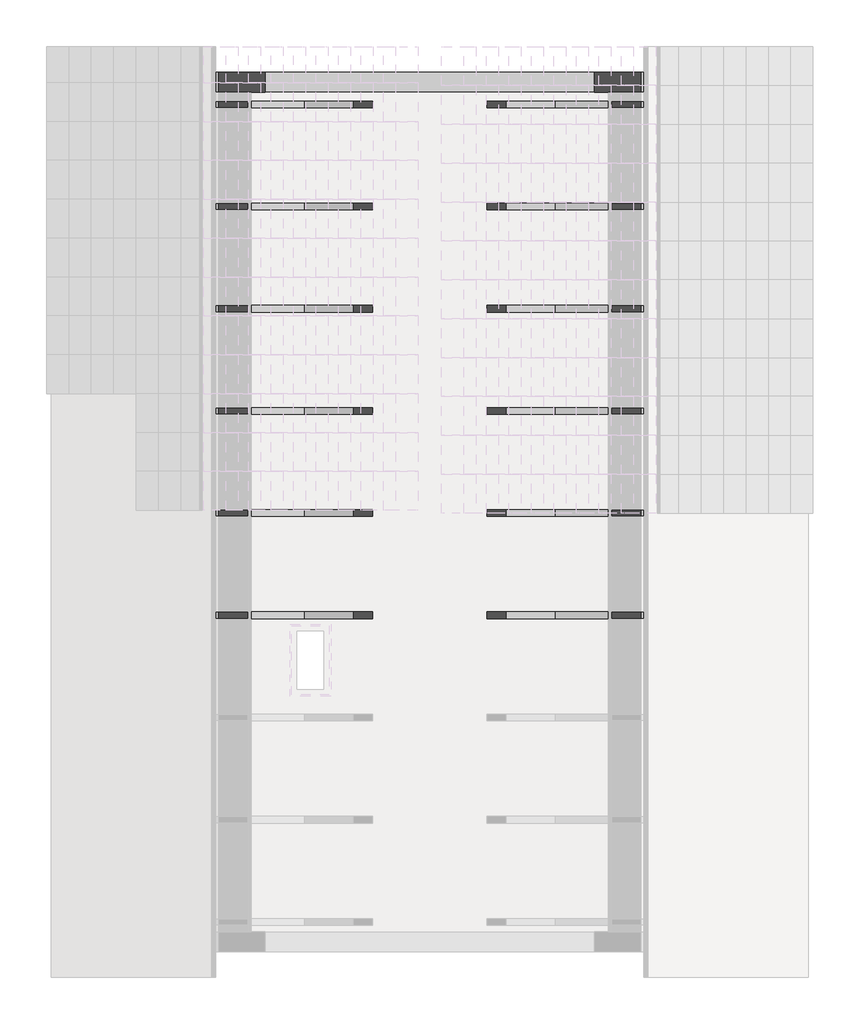
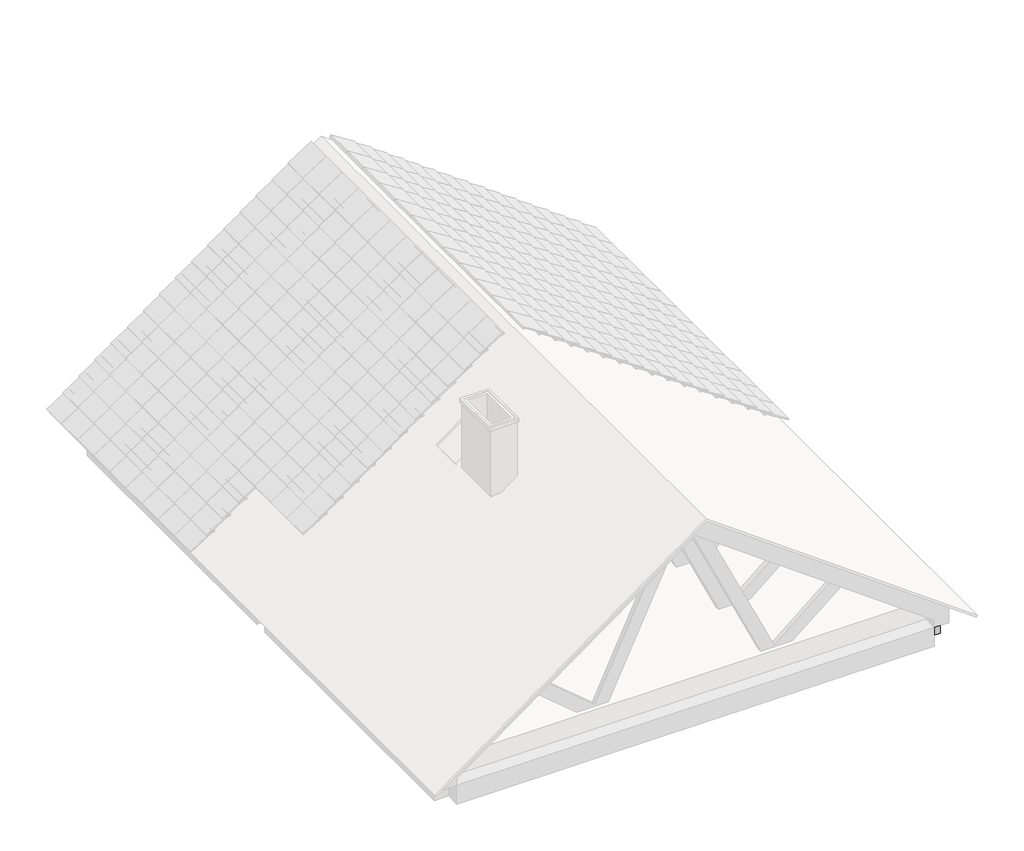
# One storey, part 9 of 9: 10 beams.
"""IFC4 building model written with IfcOpenShell, lengths in millimetres."""

from ifc_helpers import new_model, si_unit, frame, origin, place, context, project, spatial, polyline, outline, extrude, faceted_brep, element, save

model = new_model("IFC4")

# Units and contexts
model_context = context("Model", 3, world=origin())
ifc_project = project(units=[si_unit("LENGTHUNIT", "METRE", prefix="MILLI")], contexts=[model_context])

# Site, building, storey
site = spatial("IfcSite", under=ifc_project)
building = spatial("IfcBuilding", under=site)
storey = spatial("IfcBuildingStorey", under=building, Elevation=5669.9999999)

# Beams
placement = place(None, origin())
element("IfcBeam", 1, at=placement, inside=storey, context=model_context, shape_type="SweptSolid", body=[
    extrude(outline(polyline([(5766.7606605, -3657.9272493), (7946.3882445, -657.9272493), (5766.7606605, 2342.0727507), (5669.9999999, 2342.0727507), (5669.9999999, 2522.0727507), (5944.9999999, 2522.0727507), (8255.4052389, -657.9272493), (5944.9999999, -3837.9272493), (5669.9999999, -3837.9272493), (5669.9999999, -3657.9272493), (5766.7606605, -3657.9272493)])), frame((0.0, 3670.2847631, 0.0), z_axis=(0.0, 1.0, 0.0), x_axis=(0.0, 0.0, 1.0)), (0.0, 0.0, 1.0), 180.0),
])
element("IfcBeam", 2, at=placement, inside=storey, context=model_context, shape_type="SolidModel", body=[
    faceted_brep([(-3837.9272493, -1069.715237, 5729.9999999), (-3817.9272493, -1069.715237, 5729.9999999), (-3677.9272493, -1069.715237, 5729.9999999), (-3662.9272493, -1069.715237, 5729.9999999), (-3657.9272493, -1069.715237, 5729.9999999), (-507.9197273, -1069.715237, 5729.9999999), (-382.9197273, -1069.715237, 5729.9999999), (2342.0727507, -1069.715237, 5729.9999999), (2347.0727507, -1069.715237, 5729.9999999), (2362.0727507, -1069.715237, 5729.9999999), (2502.0727507, -1069.715237, 5729.9999999), (2522.0727507, -1069.715237, 5729.9999999), (2522.0727507, -1069.715237, 5889.9999999), (2325.5654977, -1069.715237, 5889.9999999), (2300.0459734, -1069.715237, 5889.9999999), (661.8736823, -1069.715237, 5889.9999999), (316.2164222, -1069.715237, 5889.9999999), (-1632.0709208, -1069.715237, 5889.9999999), (-1977.7281809, -1069.715237, 5889.9999999), (-3615.900472, -1069.715237, 5889.9999999), (-3641.4199962, -1069.715237, 5889.9999999), (-3837.9272493, -1069.715237, 5889.9999999), (-3837.9272493, -1009.715237, 5729.9999999), (-3837.9272493, -1009.715237, 5889.9999999), (-3641.4199962, -1009.715237, 5889.9999999), (-3615.900472, -1009.715237, 5889.9999999), (-1977.7281809, -1009.715237, 5889.9999999), (-1632.0709208, -1009.715237, 5889.9999999), (316.2164222, -1009.715237, 5889.9999999), (661.8736823, -1009.715237, 5889.9999999), (2300.0459734, -1009.715237, 5889.9999999), (2325.5654977, -1009.715237, 5889.9999999), (2522.0727507, -1009.715237, 5889.9999999), (2522.0727507, -1009.715237, 5729.9999999), (2502.0727507, -1009.715237, 5729.9999999), (2362.0727507, -1009.715237, 5729.9999999), (2347.0727507, -1009.715237, 5729.9999999), (2342.0727507, -1009.715237, 5729.9999999), (-382.9197273, -1009.715237, 5729.9999999), (-507.9197273, -1009.715237, 5729.9999999), (-3657.9272493, -1009.715237, 5729.9999999), (-3662.9272493, -1009.715237, 5729.9999999), (-3677.9272493, -1009.715237, 5729.9999999), (-3817.9272493, -1009.715237, 5729.9999999)], [[[0, 1, 2, 3, 4, 5, 6, 7, 8, 9, 10, 11, 12, 13, 14, 15, 16, 17, 18, 19, 20, 21]], [[22, 23, 24, 25, 26, 27, 28, 29, 30, 31, 32, 33, 34, 35, 36, 37, 38, 39, 40, 41, 42, 43]], [[11, 10, 9, 8, 7, 6, 5, 4, 3, 2, 1, 0, 22, 43, 42, 41, 40, 39, 38, 37, 36, 35, 34, 33]], [[12, 11, 33, 32]], [[21, 20, 19, 18, 17, 16, 15, 14, 13, 12, 32, 31, 30, 29, 28, 27, 26, 25, 24, 23]], [[0, 21, 23, 22]]]),
    extrude(outline(polyline([(8255.4052389, -657.9272493), (8057.6343625, -657.9272493), (5889.9999999, 2325.5654977), (5889.9999999, 2522.0727507), (5944.9999999, 2522.0727507), (8255.4052389, -657.9272493)])), frame((0.0, -1069.715237, 0.0), z_axis=(0.0, 1.0, 0.0), x_axis=(0.0, 0.0, 1.0)), (0.0, 0.0, 1.0), 60.0),
    faceted_brep([(1433.9232753, -1069.715237, 6537.8159942), (1300.5175785, -1069.715237, 6634.7409064), (1288.6750376, -1069.715237, 6624.8039963), (470.3489062, -1069.715237, 5938.1580072), (-440.4591019, -1069.715237, 7881.0934853), (-453.6400094, -1069.715237, 7909.2109948), (-657.9272493, -1069.715237, 8057.6343625), (-657.9272493, -1069.715237, 7968.0431035), (302.153042, -1069.715237, 5919.9999999), (316.2164222, -1069.715237, 5889.9999999), (661.8736823, -1069.715237, 5889.9999999), (697.6268714, -1069.715237, 5919.9999999), (1422.0807344, -1069.715237, 6527.8790841), (-453.6400094, -1009.715237, 7909.2109948), (-657.9272493, -1009.715237, 8057.6343625), (-657.9272493, -1009.715237, 7968.0431035), (1433.9232753, -1009.715237, 6537.8159942), (1422.0807344, -1009.715237, 6527.8790841), (697.6268714, -1009.715237, 5919.9999999), (661.8736823, -1009.715237, 5889.9999999), (316.2164222, -1009.715237, 5889.9999999), (302.153042, -1009.715237, 5919.9999999), (-440.4591019, -1009.715237, 7881.0934853), (470.3489062, -1009.715237, 5938.1580072), (1288.6750376, -1009.715237, 6624.8039963), (1300.5175785, -1009.715237, 6634.7409064)], [[[0, 1, 2, 3, 4, 5, 6, 7, 8, 9, 10, 11, 12]], [[6, 5, 13, 14]], [[7, 6, 14, 15]], [[16, 17, 18, 19, 20, 21, 15, 14, 13, 22, 23, 24, 25]], [[0, 12, 11, 10, 19, 18, 17, 16]], [[10, 9, 20, 19]], [[9, 8, 7, 15, 21, 20]], [[5, 4, 3, 23, 22, 13]], [[3, 2, 1, 25, 24, 23]], [[1, 0, 16, 25]]]),
    faceted_brep([(-2749.7777739, -1069.715237, 6537.8159942), (-2737.935233, -1069.715237, 6527.8790841), (-2013.48137, -1069.715237, 5919.9999999), (-1977.7281809, -1069.715237, 5889.9999999), (-1632.0709208, -1069.715237, 5889.9999999), (-1618.0075406, -1069.715237, 5919.9999999), (-657.9272493, -1069.715237, 7968.0431035), (-657.9272493, -1069.715237, 8057.6343625), (-862.2144892, -1069.715237, 7909.2109948), (-875.3953967, -1069.715237, 7881.0934853), (-1786.2034048, -1069.715237, 5938.1580072), (-2604.5295362, -1069.715237, 6624.8039963), (-2616.372077, -1069.715237, 6634.7409064), (-657.9272493, -1009.715237, 7968.0431035), (-657.9272493, -1009.715237, 8057.6343625), (-862.2144892, -1009.715237, 7909.2109948), (-2749.7777739, -1009.715237, 6537.8159942), (-2616.372077, -1009.715237, 6634.7409064), (-2604.5295362, -1009.715237, 6624.8039963), (-1786.2034048, -1009.715237, 5938.1580072), (-875.3953967, -1009.715237, 7881.0934853), (-1618.0075406, -1009.715237, 5919.9999999), (-1632.0709208, -1009.715237, 5889.9999999), (-1977.7281809, -1009.715237, 5889.9999999), (-2013.48137, -1009.715237, 5919.9999999), (-2737.935233, -1009.715237, 6527.8790841)], [[[0, 1, 2, 3, 4, 5, 6, 7, 8, 9, 10, 11, 12]], [[7, 6, 13, 14]], [[8, 7, 14, 15]], [[16, 17, 18, 19, 20, 15, 14, 13, 21, 22, 23, 24, 25]], [[3, 2, 1, 0, 16, 25, 24, 23]], [[4, 3, 23, 22]], [[6, 5, 4, 22, 21, 13]], [[10, 9, 8, 15, 20, 19]], [[12, 11, 10, 19, 18, 17]], [[0, 12, 17, 16]]]),
    extrude(outline(polyline([(8255.4052389, -657.9272493), (5944.9999999, -3837.9272493), (5889.9999999, -3837.9272493), (5889.9999999, -3641.4199962), (8057.6343625, -657.9272493), (8255.4052389, -657.9272493)])), frame((0.0, -1069.715237, 0.0), z_axis=(0.0, 1.0, 0.0), x_axis=(0.0, 0.0, 1.0)), (0.0, 0.0, 1.0), 60.0),
])
element("IfcBeam", 3, at=placement, inside=storey, context=model_context, shape_type="SolidModel", body=[
    faceted_brep([(-3837.9272493, -149.715237, 5729.9999999), (-3817.9272493, -149.715237, 5729.9999999), (-3677.9272493, -149.715237, 5729.9999999), (-3662.9272493, -149.715237, 5729.9999999), (-3657.9272493, -149.715237, 5729.9999999), (-507.9197273, -149.715237, 5729.9999999), (-382.9197273, -149.715237, 5729.9999999), (2342.0727507, -149.715237, 5729.9999999), (2347.0727507, -149.715237, 5729.9999999), (2362.0727507, -149.715237, 5729.9999999), (2502.0727507, -149.715237, 5729.9999999), (2522.0727507, -149.715237, 5729.9999999), (2522.0727507, -149.715237, 5889.9999999), (2325.5654977, -149.715237, 5889.9999999), (2300.0459734, -149.715237, 5889.9999999), (661.8736823, -149.715237, 5889.9999999), (316.2164222, -149.715237, 5889.9999999), (-1632.0709208, -149.715237, 5889.9999999), (-1977.7281809, -149.715237, 5889.9999999), (-3615.900472, -149.715237, 5889.9999999), (-3641.4199962, -149.715237, 5889.9999999), (-3837.9272493, -149.715237, 5889.9999999), (-3837.9272493, -89.715237, 5729.9999999), (-3837.9272493, -89.715237, 5889.9999999), (-3641.4199962, -89.715237, 5889.9999999), (-3615.900472, -89.715237, 5889.9999999), (-1977.7281809, -89.715237, 5889.9999999), (-1632.0709208, -89.715237, 5889.9999999), (316.2164222, -89.715237, 5889.9999999), (661.8736823, -89.715237, 5889.9999999), (2300.0459734, -89.715237, 5889.9999999), (2325.5654977, -89.715237, 5889.9999999), (2522.0727507, -89.715237, 5889.9999999), (2522.0727507, -89.715237, 5729.9999999), (2502.0727507, -89.715237, 5729.9999999), (2362.0727507, -89.715237, 5729.9999999), (2347.0727507, -89.715237, 5729.9999999), (2342.0727507, -89.715237, 5729.9999999), (-382.9197273, -89.715237, 5729.9999999), (-507.9197273, -89.715237, 5729.9999999), (-3657.9272493, -89.715237, 5729.9999999), (-3662.9272493, -89.715237, 5729.9999999), (-3677.9272493, -89.715237, 5729.9999999), (-3817.9272493, -89.715237, 5729.9999999)], [[[0, 1, 2, 3, 4, 5, 6, 7, 8, 9, 10, 11, 12, 13, 14, 15, 16, 17, 18, 19, 20, 21]], [[22, 23, 24, 25, 26, 27, 28, 29, 30, 31, 32, 33, 34, 35, 36, 37, 38, 39, 40, 41, 42, 43]], [[11, 10, 9, 8, 7, 6, 5, 4, 3, 2, 1, 0, 22, 43, 42, 41, 40, 39, 38, 37, 36, 35, 34, 33]], [[12, 11, 33, 32]], [[21, 20, 19, 18, 17, 16, 15, 14, 13, 12, 32, 31, 30, 29, 28, 27, 26, 25, 24, 23]], [[0, 21, 23, 22]]]),
    extrude(outline(polyline([(8255.4052389, -657.9272493), (8057.6343625, -657.9272493), (5889.9999999, 2325.5654977), (5889.9999999, 2522.0727507), (5944.9999999, 2522.0727507), (8255.4052389, -657.9272493)])), frame((0.0, -149.715237, 0.0), z_axis=(0.0, 1.0, 0.0), x_axis=(0.0, 0.0, 1.0)), (0.0, 0.0, 1.0), 60.0),
    faceted_brep([(1433.9232753, -149.715237, 6537.8159942), (1300.5175785, -149.715237, 6634.7409064), (1288.6750376, -149.715237, 6624.8039963), (470.3489062, -149.715237, 5938.1580072), (-440.4591019, -149.715237, 7881.0934853), (-453.6400094, -149.715237, 7909.2109948), (-657.9272493, -149.715237, 8057.6343625), (-657.9272493, -149.715237, 7968.0431035), (302.153042, -149.715237, 5919.9999999), (316.2164222, -149.715237, 5889.9999999), (661.8736823, -149.715237, 5889.9999999), (697.6268714, -149.715237, 5919.9999999), (1422.0807344, -149.715237, 6527.8790841), (-453.6400094, -89.715237, 7909.2109948), (-657.9272493, -89.715237, 8057.6343625), (-657.9272493, -89.715237, 7968.0431035), (1433.9232753, -89.715237, 6537.8159942), (1422.0807344, -89.715237, 6527.8790841), (697.6268714, -89.715237, 5919.9999999), (661.8736823, -89.715237, 5889.9999999), (316.2164222, -89.715237, 5889.9999999), (302.153042, -89.715237, 5919.9999999), (-440.4591019, -89.715237, 7881.0934853), (470.3489062, -89.715237, 5938.1580072), (1288.6750376, -89.715237, 6624.8039963), (1300.5175785, -89.715237, 6634.7409064)], [[[0, 1, 2, 3, 4, 5, 6, 7, 8, 9, 10, 11, 12]], [[6, 5, 13, 14]], [[7, 6, 14, 15]], [[16, 17, 18, 19, 20, 21, 15, 14, 13, 22, 23, 24, 25]], [[0, 12, 11, 10, 19, 18, 17, 16]], [[10, 9, 20, 19]], [[9, 8, 7, 15, 21, 20]], [[5, 4, 3, 23, 22, 13]], [[3, 2, 1, 25, 24, 23]], [[1, 0, 16, 25]]]),
    faceted_brep([(-2749.7777739, -149.715237, 6537.8159942), (-2737.935233, -149.715237, 6527.8790841), (-2013.48137, -149.715237, 5919.9999999), (-1977.7281809, -149.715237, 5889.9999999), (-1632.0709208, -149.715237, 5889.9999999), (-1618.0075406, -149.715237, 5919.9999999), (-657.9272493, -149.715237, 7968.0431035), (-657.9272493, -149.715237, 8057.6343625), (-862.2144892, -149.715237, 7909.2109948), (-875.3953967, -149.715237, 7881.0934853), (-1786.2034048, -149.715237, 5938.1580072), (-2604.5295362, -149.715237, 6624.8039963), (-2616.372077, -149.715237, 6634.7409064), (-657.9272493, -89.715237, 7968.0431035), (-657.9272493, -89.715237, 8057.6343625), (-862.2144892, -89.715237, 7909.2109948), (-2749.7777739, -89.715237, 6537.8159942), (-2616.372077, -89.715237, 6634.7409064), (-2604.5295362, -89.715237, 6624.8039963), (-1786.2034048, -89.715237, 5938.1580072), (-875.3953967, -89.715237, 7881.0934853), (-1618.0075406, -89.715237, 5919.9999999), (-1632.0709208, -89.715237, 5889.9999999), (-1977.7281809, -89.715237, 5889.9999999), (-2013.48137, -89.715237, 5919.9999999), (-2737.935233, -89.715237, 6527.8790841)], [[[0, 1, 2, 3, 4, 5, 6, 7, 8, 9, 10, 11, 12]], [[7, 6, 13, 14]], [[8, 7, 14, 15]], [[16, 17, 18, 19, 20, 15, 14, 13, 21, 22, 23, 24, 25]], [[3, 2, 1, 0, 16, 25, 24, 23]], [[4, 3, 23, 22]], [[6, 5, 4, 22, 21, 13]], [[10, 9, 8, 15, 20, 19]], [[12, 11, 10, 19, 18, 17]], [[0, 12, 17, 16]]]),
    extrude(outline(polyline([(8255.4052389, -657.9272493), (5944.9999999, -3837.9272493), (5889.9999999, -3837.9272493), (5889.9999999, -3641.4199962), (8057.6343625, -657.9272493), (8255.4052389, -657.9272493)])), frame((0.0, -149.715237, 0.0), z_axis=(0.0, 1.0, 0.0), x_axis=(0.0, 0.0, 1.0)), (0.0, 0.0, 1.0), 60.0),
])
element("IfcBeam", 4, at=placement, inside=storey, context=model_context, shape_type="SolidModel", body=[
    faceted_brep([(-3837.9272493, 770.284763, 5729.9999999), (-3817.9272493, 770.284763, 5729.9999999), (-3677.9272493, 770.284763, 5729.9999999), (-3662.9272493, 770.284763, 5729.9999999), (-3657.9272493, 770.284763, 5729.9999999), (-507.9197273, 770.284763, 5729.9999999), (-382.9197273, 770.284763, 5729.9999999), (2342.0727507, 770.284763, 5729.9999999), (2347.0727507, 770.284763, 5729.9999999), (2362.0727507, 770.284763, 5729.9999999), (2502.0727507, 770.284763, 5729.9999999), (2522.0727507, 770.284763, 5729.9999999), (2522.0727507, 770.284763, 5889.9999999), (2325.5654977, 770.284763, 5889.9999999), (2300.0459734, 770.284763, 5889.9999999), (661.8736823, 770.284763, 5889.9999999), (316.2164222, 770.284763, 5889.9999999), (-1632.0709208, 770.284763, 5889.9999999), (-1977.7281809, 770.284763, 5889.9999999), (-3615.900472, 770.284763, 5889.9999999), (-3641.4199962, 770.284763, 5889.9999999), (-3837.9272493, 770.284763, 5889.9999999), (-3837.9272493, 830.284763, 5729.9999999), (-3837.9272493, 830.284763, 5889.9999999), (-3641.4199962, 830.284763, 5889.9999999), (-3615.900472, 830.284763, 5889.9999999), (-1977.7281809, 830.284763, 5889.9999999), (-1632.0709208, 830.284763, 5889.9999999), (316.2164222, 830.284763, 5889.9999999), (661.8736823, 830.284763, 5889.9999999), (2300.0459734, 830.284763, 5889.9999999), (2325.5654977, 830.284763, 5889.9999999), (2522.0727507, 830.284763, 5889.9999999), (2522.0727507, 830.284763, 5729.9999999), (2502.0727507, 830.284763, 5729.9999999), (2362.0727507, 830.284763, 5729.9999999), (2347.0727507, 830.284763, 5729.9999999), (2342.0727507, 830.284763, 5729.9999999), (-382.9197273, 830.284763, 5729.9999999), (-507.9197273, 830.284763, 5729.9999999), (-3657.9272493, 830.284763, 5729.9999999), (-3662.9272493, 830.284763, 5729.9999999), (-3677.9272493, 830.284763, 5729.9999999), (-3817.9272493, 830.284763, 5729.9999999)], [[[0, 1, 2, 3, 4, 5, 6, 7, 8, 9, 10, 11, 12, 13, 14, 15, 16, 17, 18, 19, 20, 21]], [[22, 23, 24, 25, 26, 27, 28, 29, 30, 31, 32, 33, 34, 35, 36, 37, 38, 39, 40, 41, 42, 43]], [[11, 10, 9, 8, 7, 6, 5, 4, 3, 2, 1, 0, 22, 43, 42, 41, 40, 39, 38, 37, 36, 35, 34, 33]], [[12, 11, 33, 32]], [[21, 20, 19, 18, 17, 16, 15, 14, 13, 12, 32, 31, 30, 29, 28, 27, 26, 25, 24, 23]], [[0, 21, 23, 22]]]),
    extrude(outline(polyline([(8255.4052389, -657.9272493), (8057.6343625, -657.9272493), (5889.9999999, 2325.5654977), (5889.9999999, 2522.0727507), (5944.9999999, 2522.0727507), (8255.4052389, -657.9272493)])), frame((0.0, 770.284763, 0.0), z_axis=(0.0, 1.0, 0.0), x_axis=(0.0, 0.0, 1.0)), (0.0, 0.0, 1.0), 60.0),
    faceted_brep([(1433.9232753, 770.284763, 6537.8159942), (1300.5175785, 770.284763, 6634.7409064), (1288.6750376, 770.284763, 6624.8039963), (470.3489062, 770.284763, 5938.1580072), (-440.4591019, 770.284763, 7881.0934853), (-453.6400094, 770.284763, 7909.2109948), (-657.9272493, 770.284763, 8057.6343625), (-657.9272493, 770.284763, 7968.0431035), (302.153042, 770.284763, 5919.9999999), (316.2164222, 770.284763, 5889.9999999), (661.8736823, 770.284763, 5889.9999999), (697.6268714, 770.284763, 5919.9999999), (1422.0807344, 770.284763, 6527.8790841), (-453.6400094, 830.284763, 7909.2109948), (-657.9272493, 830.284763, 8057.6343625), (-657.9272493, 830.284763, 7968.0431035), (1433.9232753, 830.284763, 6537.8159942), (1422.0807344, 830.284763, 6527.8790841), (697.6268714, 830.284763, 5919.9999999), (661.8736823, 830.284763, 5889.9999999), (316.2164222, 830.284763, 5889.9999999), (302.153042, 830.284763, 5919.9999999), (-440.4591019, 830.284763, 7881.0934853), (470.3489062, 830.284763, 5938.1580072), (1288.6750376, 830.284763, 6624.8039963), (1300.5175785, 830.284763, 6634.7409064)], [[[0, 1, 2, 3, 4, 5, 6, 7, 8, 9, 10, 11, 12]], [[6, 5, 13, 14]], [[7, 6, 14, 15]], [[16, 17, 18, 19, 20, 21, 15, 14, 13, 22, 23, 24, 25]], [[0, 12, 11, 10, 19, 18, 17, 16]], [[10, 9, 20, 19]], [[9, 8, 7, 15, 21, 20]], [[5, 4, 3, 23, 22, 13]], [[3, 2, 1, 25, 24, 23]], [[1, 0, 16, 25]]]),
    faceted_brep([(-2749.7777739, 770.284763, 6537.8159942), (-2737.935233, 770.284763, 6527.8790841), (-2013.48137, 770.284763, 5919.9999999), (-1977.7281809, 770.284763, 5889.9999999), (-1632.0709208, 770.284763, 5889.9999999), (-1618.0075406, 770.284763, 5919.9999999), (-657.9272493, 770.284763, 7968.0431035), (-657.9272493, 770.284763, 8057.6343625), (-862.2144892, 770.284763, 7909.2109948), (-875.3953967, 770.284763, 7881.0934853), (-1786.2034048, 770.284763, 5938.1580072), (-2604.5295362, 770.284763, 6624.8039963), (-2616.372077, 770.284763, 6634.7409064), (-657.9272493, 830.284763, 7968.0431035), (-657.9272493, 830.284763, 8057.6343625), (-862.2144892, 830.284763, 7909.2109948), (-2749.7777739, 830.284763, 6537.8159942), (-2616.372077, 830.284763, 6634.7409064), (-2604.5295362, 830.284763, 6624.8039963), (-1786.2034048, 830.284763, 5938.1580072), (-875.3953967, 830.284763, 7881.0934853), (-1618.0075406, 830.284763, 5919.9999999), (-1632.0709208, 830.284763, 5889.9999999), (-1977.7281809, 830.284763, 5889.9999999), (-2013.48137, 830.284763, 5919.9999999), (-2737.935233, 830.284763, 6527.8790841)], [[[0, 1, 2, 3, 4, 5, 6, 7, 8, 9, 10, 11, 12]], [[7, 6, 13, 14]], [[8, 7, 14, 15]], [[16, 17, 18, 19, 20, 15, 14, 13, 21, 22, 23, 24, 25]], [[3, 2, 1, 0, 16, 25, 24, 23]], [[4, 3, 23, 22]], [[6, 5, 4, 22, 21, 13]], [[10, 9, 8, 15, 20, 19]], [[12, 11, 10, 19, 18, 17]], [[0, 12, 17, 16]]]),
    extrude(outline(polyline([(8255.4052389, -657.9272493), (5944.9999999, -3837.9272493), (5889.9999999, -3837.9272493), (5889.9999999, -3641.4199962), (8057.6343625, -657.9272493), (8255.4052389, -657.9272493)])), frame((0.0, 770.284763, 0.0), z_axis=(0.0, 1.0, 0.0), x_axis=(0.0, 0.0, 1.0)), (0.0, 0.0, 1.0), 60.0),
])
element("IfcBeam", 5, at=placement, inside=storey, context=model_context, shape_type="SolidModel", body=[
    faceted_brep([(-3837.9272493, 1690.284763, 5729.9999999), (-3817.9272493, 1690.284763, 5729.9999999), (-3677.9272493, 1690.284763, 5729.9999999), (-3662.9272493, 1690.284763, 5729.9999999), (-3657.9272493, 1690.284763, 5729.9999999), (-507.9197273, 1690.284763, 5729.9999999), (-382.9197273, 1690.284763, 5729.9999999), (2342.0727507, 1690.284763, 5729.9999999), (2347.0727507, 1690.284763, 5729.9999999), (2362.0727507, 1690.284763, 5729.9999999), (2502.0727507, 1690.284763, 5729.9999999), (2522.0727507, 1690.284763, 5729.9999999), (2522.0727507, 1690.284763, 5889.9999999), (2325.5654977, 1690.284763, 5889.9999999), (2300.0459734, 1690.284763, 5889.9999999), (661.8736823, 1690.284763, 5889.9999999), (316.2164222, 1690.284763, 5889.9999999), (-1632.0709208, 1690.284763, 5889.9999999), (-1977.7281809, 1690.284763, 5889.9999999), (-3615.900472, 1690.284763, 5889.9999999), (-3641.4199962, 1690.284763, 5889.9999999), (-3837.9272493, 1690.284763, 5889.9999999), (-3837.9272493, 1750.284763, 5729.9999999), (-3837.9272493, 1750.284763, 5889.9999999), (-3641.4199962, 1750.284763, 5889.9999999), (-3615.900472, 1750.284763, 5889.9999999), (-1977.7281809, 1750.284763, 5889.9999999), (-1632.0709208, 1750.284763, 5889.9999999), (316.2164222, 1750.284763, 5889.9999999), (661.8736823, 1750.284763, 5889.9999999), (2300.0459734, 1750.284763, 5889.9999999), (2325.5654977, 1750.284763, 5889.9999999), (2522.0727507, 1750.284763, 5889.9999999), (2522.0727507, 1750.284763, 5729.9999999), (2502.0727507, 1750.284763, 5729.9999999), (2362.0727507, 1750.284763, 5729.9999999), (2347.0727507, 1750.284763, 5729.9999999), (2342.0727507, 1750.284763, 5729.9999999), (-382.9197273, 1750.284763, 5729.9999999), (-507.9197273, 1750.284763, 5729.9999999), (-3657.9272493, 1750.284763, 5729.9999999), (-3662.9272493, 1750.284763, 5729.9999999), (-3677.9272493, 1750.284763, 5729.9999999), (-3817.9272493, 1750.284763, 5729.9999999)], [[[0, 1, 2, 3, 4, 5, 6, 7, 8, 9, 10, 11, 12, 13, 14, 15, 16, 17, 18, 19, 20, 21]], [[22, 23, 24, 25, 26, 27, 28, 29, 30, 31, 32, 33, 34, 35, 36, 37, 38, 39, 40, 41, 42, 43]], [[11, 10, 9, 8, 7, 6, 5, 4, 3, 2, 1, 0, 22, 43, 42, 41, 40, 39, 38, 37, 36, 35, 34, 33]], [[12, 11, 33, 32]], [[21, 20, 19, 18, 17, 16, 15, 14, 13, 12, 32, 31, 30, 29, 28, 27, 26, 25, 24, 23]], [[0, 21, 23, 22]]]),
    extrude(outline(polyline([(8255.4052389, -657.9272493), (8057.6343625, -657.9272493), (5889.9999999, 2325.5654977), (5889.9999999, 2522.0727507), (5944.9999999, 2522.0727507), (8255.4052389, -657.9272493)])), frame((0.0, 1690.284763, 0.0), z_axis=(0.0, 1.0, 0.0), x_axis=(0.0, 0.0, 1.0)), (0.0, 0.0, 1.0), 60.0),
    faceted_brep([(1433.9232753, 1690.284763, 6537.8159942), (1300.5175785, 1690.284763, 6634.7409064), (1288.6750376, 1690.284763, 6624.8039963), (470.3489062, 1690.284763, 5938.1580072), (-440.4591019, 1690.284763, 7881.0934853), (-453.6400094, 1690.284763, 7909.2109948), (-657.9272493, 1690.284763, 8057.6343625), (-657.9272493, 1690.284763, 7968.0431035), (302.153042, 1690.284763, 5919.9999999), (316.2164222, 1690.284763, 5889.9999999), (661.8736823, 1690.284763, 5889.9999999), (697.6268714, 1690.284763, 5919.9999999), (1422.0807344, 1690.284763, 6527.8790841), (-453.6400094, 1750.284763, 7909.2109948), (-657.9272493, 1750.284763, 8057.6343625), (-657.9272493, 1750.284763, 7968.0431035), (1433.9232753, 1750.284763, 6537.8159942), (1422.0807344, 1750.284763, 6527.8790841), (697.6268714, 1750.284763, 5919.9999999), (661.8736823, 1750.284763, 5889.9999999), (316.2164222, 1750.284763, 5889.9999999), (302.153042, 1750.284763, 5919.9999999), (-440.4591019, 1750.284763, 7881.0934853), (470.3489062, 1750.284763, 5938.1580072), (1288.6750376, 1750.284763, 6624.8039963), (1300.5175785, 1750.284763, 6634.7409064)], [[[0, 1, 2, 3, 4, 5, 6, 7, 8, 9, 10, 11, 12]], [[6, 5, 13, 14]], [[7, 6, 14, 15]], [[16, 17, 18, 19, 20, 21, 15, 14, 13, 22, 23, 24, 25]], [[0, 12, 11, 10, 19, 18, 17, 16]], [[10, 9, 20, 19]], [[9, 8, 7, 15, 21, 20]], [[5, 4, 3, 23, 22, 13]], [[3, 2, 1, 25, 24, 23]], [[1, 0, 16, 25]]]),
    faceted_brep([(-2749.7777739, 1690.284763, 6537.8159942), (-2737.935233, 1690.284763, 6527.8790841), (-2013.48137, 1690.284763, 5919.9999999), (-1977.7281809, 1690.284763, 5889.9999999), (-1632.0709208, 1690.284763, 5889.9999999), (-1618.0075406, 1690.284763, 5919.9999999), (-657.9272493, 1690.284763, 7968.0431035), (-657.9272493, 1690.284763, 8057.6343625), (-862.2144892, 1690.284763, 7909.2109948), (-875.3953967, 1690.284763, 7881.0934853), (-1786.2034048, 1690.284763, 5938.1580072), (-2604.5295362, 1690.284763, 6624.8039963), (-2616.372077, 1690.284763, 6634.7409064), (-657.9272493, 1750.284763, 7968.0431035), (-657.9272493, 1750.284763, 8057.6343625), (-862.2144892, 1750.284763, 7909.2109948), (-2749.7777739, 1750.284763, 6537.8159942), (-2616.372077, 1750.284763, 6634.7409064), (-2604.5295362, 1750.284763, 6624.8039963), (-1786.2034048, 1750.284763, 5938.1580072), (-875.3953967, 1750.284763, 7881.0934853), (-1618.0075406, 1750.284763, 5919.9999999), (-1632.0709208, 1750.284763, 5889.9999999), (-1977.7281809, 1750.284763, 5889.9999999), (-2013.48137, 1750.284763, 5919.9999999), (-2737.935233, 1750.284763, 6527.8790841)], [[[0, 1, 2, 3, 4, 5, 6, 7, 8, 9, 10, 11, 12]], [[7, 6, 13, 14]], [[8, 7, 14, 15]], [[16, 17, 18, 19, 20, 15, 14, 13, 21, 22, 23, 24, 25]], [[3, 2, 1, 0, 16, 25, 24, 23]], [[4, 3, 23, 22]], [[6, 5, 4, 22, 21, 13]], [[10, 9, 8, 15, 20, 19]], [[12, 11, 10, 19, 18, 17]], [[0, 12, 17, 16]]]),
    extrude(outline(polyline([(8255.4052389, -657.9272493), (5944.9999999, -3837.9272493), (5889.9999999, -3837.9272493), (5889.9999999, -3641.4199962), (8057.6343625, -657.9272493), (8255.4052389, -657.9272493)])), frame((0.0, 1690.284763, 0.0), z_axis=(0.0, 1.0, 0.0), x_axis=(0.0, 0.0, 1.0)), (0.0, 0.0, 1.0), 60.0),
])
element("IfcBeam", 6, at=placement, inside=storey, context=model_context, shape_type="SolidModel", body=[
    faceted_brep([(-3837.9272493, 2610.284763, 5729.9999999), (-3817.9272493, 2610.284763, 5729.9999999), (-3677.9272493, 2610.284763, 5729.9999999), (-3662.9272493, 2610.284763, 5729.9999999), (-3657.9272493, 2610.284763, 5729.9999999), (-507.9197273, 2610.284763, 5729.9999999), (-382.9197273, 2610.284763, 5729.9999999), (2342.0727507, 2610.284763, 5729.9999999), (2347.0727507, 2610.284763, 5729.9999999), (2362.0727507, 2610.284763, 5729.9999999), (2502.0727507, 2610.284763, 5729.9999999), (2522.0727507, 2610.284763, 5729.9999999), (2522.0727507, 2610.284763, 5889.9999999), (2325.5654977, 2610.284763, 5889.9999999), (2300.0459734, 2610.284763, 5889.9999999), (661.8736823, 2610.284763, 5889.9999999), (316.2164222, 2610.284763, 5889.9999999), (-1632.0709208, 2610.284763, 5889.9999999), (-1977.7281809, 2610.284763, 5889.9999999), (-3615.900472, 2610.284763, 5889.9999999), (-3641.4199962, 2610.284763, 5889.9999999), (-3837.9272493, 2610.284763, 5889.9999999), (-3837.9272493, 2670.284763, 5729.9999999), (-3837.9272493, 2670.284763, 5889.9999999), (-3641.4199962, 2670.284763, 5889.9999999), (-3615.900472, 2670.284763, 5889.9999999), (-1977.7281809, 2670.284763, 5889.9999999), (-1632.0709208, 2670.284763, 5889.9999999), (316.2164222, 2670.284763, 5889.9999999), (661.8736823, 2670.284763, 5889.9999999), (2300.0459734, 2670.284763, 5889.9999999), (2325.5654977, 2670.284763, 5889.9999999), (2522.0727507, 2670.284763, 5889.9999999), (2522.0727507, 2670.284763, 5729.9999999), (2502.0727507, 2670.284763, 5729.9999999), (2362.0727507, 2670.284763, 5729.9999999), (2347.0727507, 2670.284763, 5729.9999999), (2342.0727507, 2670.284763, 5729.9999999), (-382.9197273, 2670.284763, 5729.9999999), (-507.9197273, 2670.284763, 5729.9999999), (-3657.9272493, 2670.284763, 5729.9999999), (-3662.9272493, 2670.284763, 5729.9999999), (-3677.9272493, 2670.284763, 5729.9999999), (-3817.9272493, 2670.284763, 5729.9999999)], [[[0, 1, 2, 3, 4, 5, 6, 7, 8, 9, 10, 11, 12, 13, 14, 15, 16, 17, 18, 19, 20, 21]], [[22, 23, 24, 25, 26, 27, 28, 29, 30, 31, 32, 33, 34, 35, 36, 37, 38, 39, 40, 41, 42, 43]], [[11, 10, 9, 8, 7, 6, 5, 4, 3, 2, 1, 0, 22, 43, 42, 41, 40, 39, 38, 37, 36, 35, 34, 33]], [[12, 11, 33, 32]], [[21, 20, 19, 18, 17, 16, 15, 14, 13, 12, 32, 31, 30, 29, 28, 27, 26, 25, 24, 23]], [[0, 21, 23, 22]]]),
    extrude(outline(polyline([(8255.4052389, -657.9272493), (8057.6343625, -657.9272493), (5889.9999999, 2325.5654977), (5889.9999999, 2522.0727507), (5944.9999999, 2522.0727507), (8255.4052389, -657.9272493)])), frame((0.0, 2610.284763, 0.0), z_axis=(0.0, 1.0, 0.0), x_axis=(0.0, 0.0, 1.0)), (0.0, 0.0, 1.0), 60.0),
    faceted_brep([(1433.9232753, 2610.284763, 6537.8159942), (1300.5175785, 2610.284763, 6634.7409064), (1288.6750376, 2610.284763, 6624.8039963), (470.3489062, 2610.284763, 5938.1580072), (-440.4591019, 2610.284763, 7881.0934853), (-453.6400094, 2610.284763, 7909.2109948), (-657.9272493, 2610.284763, 8057.6343625), (-657.9272493, 2610.284763, 7968.0431035), (302.153042, 2610.284763, 5919.9999999), (316.2164222, 2610.284763, 5889.9999999), (661.8736823, 2610.284763, 5889.9999999), (697.6268714, 2610.284763, 5919.9999999), (1422.0807344, 2610.284763, 6527.8790841), (-453.6400094, 2670.284763, 7909.2109948), (-657.9272493, 2670.284763, 8057.6343625), (-657.9272493, 2670.284763, 7968.0431035), (1433.9232753, 2670.284763, 6537.8159942), (1422.0807344, 2670.284763, 6527.8790841), (697.6268714, 2670.284763, 5919.9999999), (661.8736823, 2670.284763, 5889.9999999), (316.2164222, 2670.284763, 5889.9999999), (302.153042, 2670.284763, 5919.9999999), (-440.4591019, 2670.284763, 7881.0934853), (470.3489062, 2670.284763, 5938.1580072), (1288.6750376, 2670.284763, 6624.8039963), (1300.5175785, 2670.284763, 6634.7409064)], [[[0, 1, 2, 3, 4, 5, 6, 7, 8, 9, 10, 11, 12]], [[6, 5, 13, 14]], [[7, 6, 14, 15]], [[16, 17, 18, 19, 20, 21, 15, 14, 13, 22, 23, 24, 25]], [[0, 12, 11, 10, 19, 18, 17, 16]], [[10, 9, 20, 19]], [[9, 8, 7, 15, 21, 20]], [[5, 4, 3, 23, 22, 13]], [[3, 2, 1, 25, 24, 23]], [[1, 0, 16, 25]]]),
    faceted_brep([(-2749.7777739, 2610.284763, 6537.8159942), (-2737.935233, 2610.284763, 6527.8790841), (-2013.48137, 2610.284763, 5919.9999999), (-1977.7281809, 2610.284763, 5889.9999999), (-1632.0709208, 2610.284763, 5889.9999999), (-1618.0075406, 2610.284763, 5919.9999999), (-657.9272493, 2610.284763, 7968.0431035), (-657.9272493, 2610.284763, 8057.6343625), (-862.2144892, 2610.284763, 7909.2109948), (-875.3953967, 2610.284763, 7881.0934853), (-1786.2034048, 2610.284763, 5938.1580072), (-2604.5295362, 2610.284763, 6624.8039963), (-2616.372077, 2610.284763, 6634.7409064), (-657.9272493, 2670.284763, 7968.0431035), (-657.9272493, 2670.284763, 8057.6343625), (-862.2144892, 2670.284763, 7909.2109948), (-2749.7777739, 2670.284763, 6537.8159942), (-2616.372077, 2670.284763, 6634.7409064), (-2604.5295362, 2670.284763, 6624.8039963), (-1786.2034048, 2670.284763, 5938.1580072), (-875.3953967, 2670.284763, 7881.0934853), (-1618.0075406, 2670.284763, 5919.9999999), (-1632.0709208, 2670.284763, 5889.9999999), (-1977.7281809, 2670.284763, 5889.9999999), (-2013.48137, 2670.284763, 5919.9999999), (-2737.935233, 2670.284763, 6527.8790841)], [[[0, 1, 2, 3, 4, 5, 6, 7, 8, 9, 10, 11, 12]], [[7, 6, 13, 14]], [[8, 7, 14, 15]], [[16, 17, 18, 19, 20, 15, 14, 13, 21, 22, 23, 24, 25]], [[3, 2, 1, 0, 16, 25, 24, 23]], [[4, 3, 23, 22]], [[6, 5, 4, 22, 21, 13]], [[10, 9, 8, 15, 20, 19]], [[12, 11, 10, 19, 18, 17]], [[0, 12, 17, 16]]]),
    extrude(outline(polyline([(8255.4052389, -657.9272493), (5944.9999999, -3837.9272493), (5889.9999999, -3837.9272493), (5889.9999999, -3641.4199962), (8057.6343625, -657.9272493), (8255.4052389, -657.9272493)])), frame((0.0, 2610.284763, 0.0), z_axis=(0.0, 1.0, 0.0), x_axis=(0.0, 0.0, 1.0)), (0.0, 0.0, 1.0), 60.0),
])
element("IfcBeam", 7, at=placement, inside=storey, context=model_context, shape_type="SolidModel", body=[
    faceted_brep([(-3837.9272493, 3530.284763, 5729.9999999), (-3817.9272493, 3530.284763, 5729.9999999), (-3677.9272493, 3530.284763, 5729.9999999), (-3662.9272493, 3530.284763, 5729.9999999), (-3657.9272493, 3530.284763, 5729.9999999), (-507.9197273, 3530.284763, 5729.9999999), (-382.9197273, 3530.284763, 5729.9999999), (2342.0727507, 3530.284763, 5729.9999999), (2347.0727507, 3530.284763, 5729.9999999), (2362.0727507, 3530.284763, 5729.9999999), (2502.0727507, 3530.284763, 5729.9999999), (2522.0727507, 3530.284763, 5729.9999999), (2522.0727507, 3530.284763, 5889.9999999), (2325.5654977, 3530.284763, 5889.9999999), (2300.0459734, 3530.284763, 5889.9999999), (661.8736823, 3530.284763, 5889.9999999), (316.2164222, 3530.284763, 5889.9999999), (-1632.0709208, 3530.284763, 5889.9999999), (-1977.7281809, 3530.284763, 5889.9999999), (-3615.900472, 3530.284763, 5889.9999999), (-3641.4199962, 3530.284763, 5889.9999999), (-3837.9272493, 3530.284763, 5889.9999999), (-3837.9272493, 3590.284763, 5729.9999999), (-3837.9272493, 3590.284763, 5889.9999999), (-3641.4199962, 3590.284763, 5889.9999999), (-3615.900472, 3590.284763, 5889.9999999), (-1977.7281809, 3590.284763, 5889.9999999), (-1632.0709208, 3590.284763, 5889.9999999), (316.2164222, 3590.284763, 5889.9999999), (661.8736823, 3590.284763, 5889.9999999), (2300.0459734, 3590.284763, 5889.9999999), (2325.5654977, 3590.284763, 5889.9999999), (2522.0727507, 3590.284763, 5889.9999999), (2522.0727507, 3590.284763, 5729.9999999), (2502.0727507, 3590.284763, 5729.9999999), (2362.0727507, 3590.284763, 5729.9999999), (2347.0727507, 3590.284763, 5729.9999999), (2342.0727507, 3590.284763, 5729.9999999), (-382.9197273, 3590.284763, 5729.9999999), (-507.9197273, 3590.284763, 5729.9999999), (-3657.9272493, 3590.284763, 5729.9999999), (-3662.9272493, 3590.284763, 5729.9999999), (-3677.9272493, 3590.284763, 5729.9999999), (-3817.9272493, 3590.284763, 5729.9999999)], [[[0, 1, 2, 3, 4, 5, 6, 7, 8, 9, 10, 11, 12, 13, 14, 15, 16, 17, 18, 19, 20, 21]], [[22, 23, 24, 25, 26, 27, 28, 29, 30, 31, 32, 33, 34, 35, 36, 37, 38, 39, 40, 41, 42, 43]], [[11, 10, 9, 8, 7, 6, 5, 4, 3, 2, 1, 0, 22, 43, 42, 41, 40, 39, 38, 37, 36, 35, 34, 33]], [[12, 11, 33, 32]], [[21, 20, 19, 18, 17, 16, 15, 14, 13, 12, 32, 31, 30, 29, 28, 27, 26, 25, 24, 23]], [[0, 21, 23, 22]]]),
    extrude(outline(polyline([(8255.4052389, -657.9272493), (8057.6343625, -657.9272493), (5889.9999999, 2325.5654977), (5889.9999999, 2522.0727507), (5944.9999999, 2522.0727507), (8255.4052389, -657.9272493)])), frame((0.0, 3530.284763, 0.0), z_axis=(0.0, 1.0, 0.0), x_axis=(0.0, 0.0, 1.0)), (0.0, 0.0, 1.0), 60.0),
    faceted_brep([(1433.9232753, 3530.284763, 6537.8159942), (1300.5175785, 3530.284763, 6634.7409064), (1288.6750376, 3530.284763, 6624.8039963), (470.3489062, 3530.284763, 5938.1580072), (-440.4591019, 3530.284763, 7881.0934853), (-453.6400094, 3530.284763, 7909.2109948), (-657.9272493, 3530.284763, 8057.6343625), (-657.9272493, 3530.284763, 7968.0431035), (302.153042, 3530.284763, 5919.9999999), (316.2164222, 3530.284763, 5889.9999999), (661.8736823, 3530.284763, 5889.9999999), (697.6268714, 3530.284763, 5919.9999999), (1422.0807344, 3530.284763, 6527.8790841), (-453.6400094, 3590.284763, 7909.2109948), (-657.9272493, 3590.284763, 8057.6343625), (-657.9272493, 3590.284763, 7968.0431035), (1433.9232753, 3590.284763, 6537.8159942), (1422.0807344, 3590.284763, 6527.8790841), (697.6268714, 3590.284763, 5919.9999999), (661.8736823, 3590.284763, 5889.9999999), (316.2164222, 3590.284763, 5889.9999999), (302.153042, 3590.284763, 5919.9999999), (-440.4591019, 3590.284763, 7881.0934853), (470.3489062, 3590.284763, 5938.1580072), (1288.6750376, 3590.284763, 6624.8039963), (1300.5175785, 3590.284763, 6634.7409064)], [[[0, 1, 2, 3, 4, 5, 6, 7, 8, 9, 10, 11, 12]], [[6, 5, 13, 14]], [[7, 6, 14, 15]], [[16, 17, 18, 19, 20, 21, 15, 14, 13, 22, 23, 24, 25]], [[0, 12, 11, 10, 19, 18, 17, 16]], [[10, 9, 20, 19]], [[9, 8, 7, 15, 21, 20]], [[5, 4, 3, 23, 22, 13]], [[3, 2, 1, 25, 24, 23]], [[1, 0, 16, 25]]]),
    faceted_brep([(-2749.7777739, 3530.284763, 6537.8159942), (-2737.935233, 3530.284763, 6527.8790841), (-2013.48137, 3530.284763, 5919.9999999), (-1977.7281809, 3530.284763, 5889.9999999), (-1632.0709208, 3530.284763, 5889.9999999), (-1618.0075406, 3530.284763, 5919.9999999), (-657.9272493, 3530.284763, 7968.0431035), (-657.9272493, 3530.284763, 8057.6343625), (-862.2144892, 3530.284763, 7909.2109948), (-875.3953967, 3530.284763, 7881.0934853), (-1786.2034048, 3530.284763, 5938.1580072), (-2604.5295362, 3530.284763, 6624.8039963), (-2616.372077, 3530.284763, 6634.7409064), (-657.9272493, 3590.284763, 7968.0431035), (-657.9272493, 3590.284763, 8057.6343625), (-862.2144892, 3590.284763, 7909.2109948), (-2749.7777739, 3590.284763, 6537.8159942), (-2616.372077, 3590.284763, 6634.7409064), (-2604.5295362, 3590.284763, 6624.8039963), (-1786.2034048, 3590.284763, 5938.1580072), (-875.3953967, 3590.284763, 7881.0934853), (-1618.0075406, 3590.284763, 5919.9999999), (-1632.0709208, 3590.284763, 5889.9999999), (-1977.7281809, 3590.284763, 5889.9999999), (-2013.48137, 3590.284763, 5919.9999999), (-2737.935233, 3590.284763, 6527.8790841)], [[[0, 1, 2, 3, 4, 5, 6, 7, 8, 9, 10, 11, 12]], [[7, 6, 13, 14]], [[8, 7, 14, 15]], [[16, 17, 18, 19, 20, 15, 14, 13, 21, 22, 23, 24, 25]], [[3, 2, 1, 0, 16, 25, 24, 23]], [[4, 3, 23, 22]], [[6, 5, 4, 22, 21, 13]], [[10, 9, 8, 15, 20, 19]], [[12, 11, 10, 19, 18, 17]], [[0, 12, 17, 16]]]),
    extrude(outline(polyline([(8255.4052389, -657.9272493), (5944.9999999, -3837.9272493), (5889.9999999, -3837.9272493), (5889.9999999, -3641.4199962), (8057.6343625, -657.9272493), (8255.4052389, -657.9272493)])), frame((0.0, 3530.284763, 0.0), z_axis=(0.0, 1.0, 0.0), x_axis=(0.0, 0.0, 1.0)), (0.0, 0.0, 1.0), 60.0),
])
element("IfcBeam", 8, ObjectType="180 x 250 mm", at=placement, inside=storey, context=model_context, shape_type="Brep", body=[
    faceted_brep([(-3657.9272493, 3850.284763, 5669.9999999), (-3657.9272493, 3670.284763, 5669.9999999), (2342.0727507, 3670.284763, 5669.9999999), (2342.0727507, 3850.284763, 5669.9999999), (-3657.9272493, 3670.284763, 5419.9999999), (-2457.9272221, 3670.284763, 5419.9999999), (-1457.9272221, 3670.284763, 5419.9999999), (142.0641816, 3670.284763, 5419.9999999), (1142.0641816, 3670.284763, 5419.9999999), (2342.0727507, 3670.284763, 5419.9999999), (-3657.9272493, 3850.284763, 5419.9999999), (-2457.9272221, 3850.284763, 5419.9999999), (-1457.9272221, 3850.284763, 5419.9999999), (142.0641816, 3850.284763, 5419.9999999), (1142.0641816, 3850.284763, 5419.9999999), (2342.0727507, 3850.284763, 5419.9999999)], [[[0, 1, 2, 3]], [[1, 4, 5, 6, 7, 8, 9, 2]], [[4, 10, 11, 12, 13, 14, 15, 9, 8, 7, 6, 5]], [[10, 0, 3, 15, 14, 13, 12, 11]], [[1, 0, 10, 4]], [[3, 2, 9, 15]]]),
])
element("IfcBeam", 9, ObjectType="180 x 250 mm", at=placement, inside=storey, context=model_context, shape_type="Brep", body=[
    faceted_brep([(2342.0727507, -3889.715237, 5669.9999999), (2522.0727507, -3889.715237, 5669.9999999), (2522.0727507, -3874.715237, 5669.9999999), (2522.0727507, -199.715237, 5669.9999999), (2342.0727507, -199.715237, 5669.9999999), (2342.0727507, -3874.715237, 5669.9999999), (2342.0727507, -3889.715237, 5419.9999999), (2342.0727507, -199.715237, 5419.9999999), (2342.0727507, -3874.715237, 5419.9999999), (2522.0727507, -3889.715237, 5419.9999999), (2522.0727507, -199.715237, 5419.9999999), (2522.0727507, -3874.715237, 5419.9999999)], [[[0, 1, 2, 3, 4, 5]], [[6, 0, 5, 4, 7, 8]], [[9, 6, 8, 7, 10, 11]], [[1, 9, 11, 10, 3, 2]], [[0, 6, 9, 1]], [[4, 3, 10, 7]]]),
    faceted_brep([(2342.0727507, 3670.284763, 5419.9999999), (2342.0727507, 3670.284763, 5669.9999999), (2522.0727507, 3670.284763, 5669.9999999), (2522.0727507, 3670.284763, 5419.9999999), (2522.0727507, -19.715237, 5669.9999999), (2342.0727507, -19.715237, 5669.9999999), (2342.0727507, -19.715237, 5419.9999999), (2522.0727507, -19.715237, 5419.9999999), (2342.0727507, 3655.284763, 5669.9999999), (2522.0727507, 3655.284763, 5669.9999999), (2342.0727507, 3655.284763, 5419.9999999), (2342.0727507, 1070.2847629, 5419.9999999), (2342.0727507, 70.2847629, 5419.9999999), (2522.0727507, 3655.284763, 5419.9999999), (2522.0727507, 1070.2847629, 5419.9999999), (2522.0727507, 70.2847629, 5419.9999999)], [[[0, 1, 2, 3]], [[4, 5, 6, 7]], [[2, 1, 8, 5, 4, 9]], [[1, 0, 10, 11, 12, 6, 5, 8]], [[0, 3, 13, 14, 15, 7, 6, 12, 11, 10]], [[3, 2, 9, 4, 7, 15, 14, 13]]]),
])
element("IfcBeam", 10, ObjectType="60x140mm", at=placement, inside=storey, context=model_context, shape_type="Brep", body=[
    faceted_brep([(2502.0727507, -3889.715237, 5729.9999999), (2362.0727507, -3889.715237, 5729.9999999), (2362.0727507, -3889.715237, 5669.9999999), (2502.0727507, -3889.715237, 5669.9999999), (2502.0727507, 3670.284763, 5729.9999999), (2502.0727507, 3670.284763, 5669.9999999), (2362.0727507, 3670.284763, 5669.9999999), (2362.0727507, 3670.284763, 5729.9999999), (2502.0727507, -3829.715237, 5729.9999999), (2502.0727507, -3769.715237, 5729.9999999), (2502.0727507, -2909.715237, 5729.9999999), (2502.0727507, -2849.715237, 5729.9999999), (2502.0727507, -1989.715237, 5729.9999999), (2502.0727507, -1929.715237, 5729.9999999), (2502.0727507, -1069.715237, 5729.9999999), (2502.0727507, -1009.715237, 5729.9999999), (2502.0727507, -149.715237, 5729.9999999), (2502.0727507, -89.715237, 5729.9999999), (2502.0727507, 770.284763, 5729.9999999), (2502.0727507, 830.284763, 5729.9999999), (2502.0727507, 1690.284763, 5729.9999999), (2502.0727507, 1750.284763, 5729.9999999), (2502.0727507, 2610.284763, 5729.9999999), (2502.0727507, 2670.284763, 5729.9999999), (2502.0727507, 3530.284763, 5729.9999999), (2502.0727507, 3590.284763, 5729.9999999), (2362.0727507, 3590.284763, 5729.9999999), (2362.0727507, 3530.284763, 5729.9999999), (2362.0727507, 2670.284763, 5729.9999999), (2362.0727507, 2610.284763, 5729.9999999), (2362.0727507, 1750.284763, 5729.9999999), (2362.0727507, 1690.284763, 5729.9999999), (2362.0727507, 830.284763, 5729.9999999), (2362.0727507, 770.284763, 5729.9999999), (2362.0727507, -89.715237, 5729.9999999), (2362.0727507, -149.715237, 5729.9999999), (2362.0727507, -1009.715237, 5729.9999999), (2362.0727507, -1069.715237, 5729.9999999), (2362.0727507, -1929.715237, 5729.9999999), (2362.0727507, -1989.715237, 5729.9999999), (2362.0727507, -2849.715237, 5729.9999999), (2362.0727507, -2909.715237, 5729.9999999), (2362.0727507, -3769.715237, 5729.9999999), (2362.0727507, -3829.715237, 5729.9999999)], [[[0, 1, 2, 3]], [[4, 5, 6, 7]], [[1, 0, 8, 9, 10, 11, 12, 13, 14, 15, 16, 17, 18, 19, 20, 21, 22, 23, 24, 25, 4, 7, 26, 27, 28, 29, 30, 31, 32, 33, 34, 35, 36, 37, 38, 39, 40, 41, 42, 43]], [[2, 1, 43, 42, 41, 40, 39, 38, 37, 36, 35, 34, 33, 32, 31, 30, 29, 28, 27, 26, 7, 6]], [[3, 2, 6, 5]], [[0, 3, 5, 4, 25, 24, 23, 22, 21, 20, 19, 18, 17, 16, 15, 14, 13, 12, 11, 10, 9, 8]]]),
])

save(model, "model.ifc")
